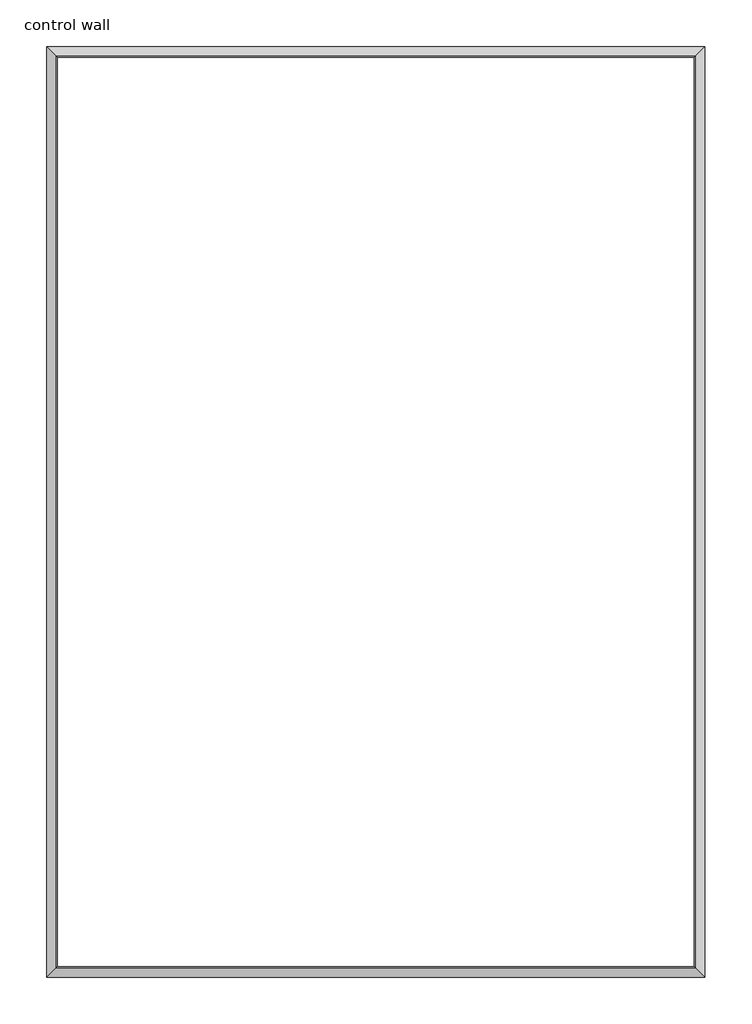
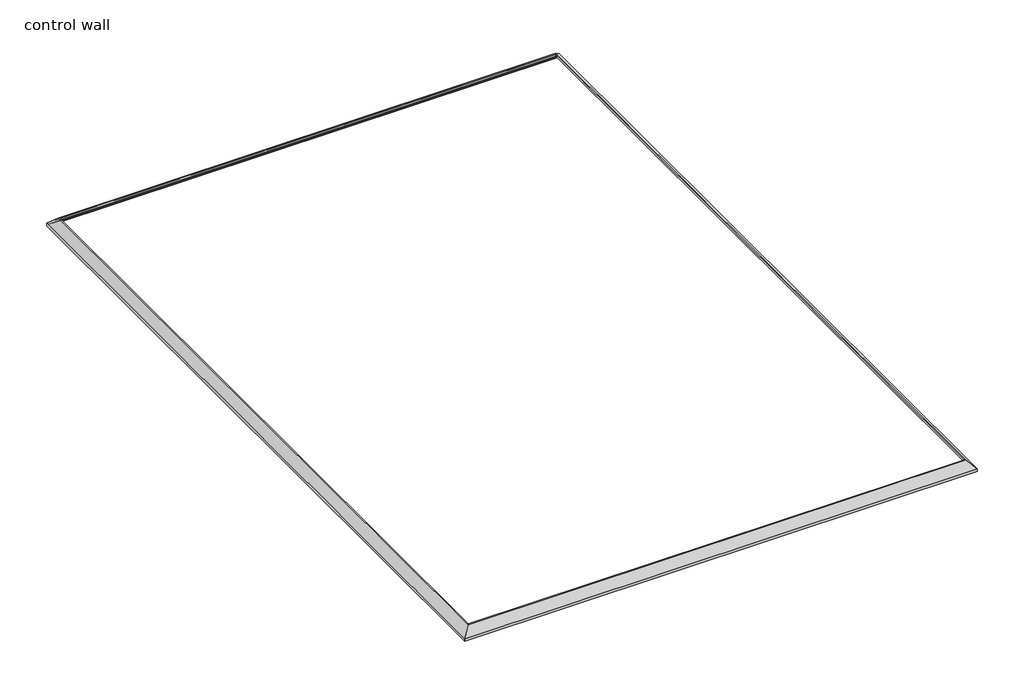
# One storey: 4 proxies.
"""IFC4 building model written with IfcOpenShell, lengths in millimetres."""

import ifcopenshell
import ifcopenshell.guid

model = None  # the IFC model being written
_history = None  # IfcOwnerHistory: only IFC2X3 demands one
_inside = {}  # id of a spatial element -> (the spatial element, [elements in it])
_under = {}  # id of a project, library or spatial element -> (it, [spatial elements below it])
_declared = {}  # id of a project -> (the project, [libraries it declares])
_typed = {}  # id of a type object -> (the type object, [elements of that type])
_made_of = {}  # id of a material, layer set ... -> (it, [elements and type objects made of it])


def new_model(schema):
    """Start an empty IFC model of exactly this schema.

    Asked for "IFC4X3", IfcOpenShell would pick the latest addendum, in which some entities
    have other attributes; the version numbers below select the first issue.
    IFC2X3 requires an IfcOwnerHistory on every rooted entity: one is made here for all.
    """
    global model, _history
    if schema == "IFC4X3":
        model = ifcopenshell.file(schema_version=(4, 3, 0, 0))
    else:
        model = ifcopenshell.file(schema=schema)
    _inside.clear()
    _under.clear()
    _declared.clear()
    _typed.clear()
    _made_of.clear()
    _history = None
    if model.schema == "IFC2X3":
        org = make("IfcOrganization", Name="unknown")
        user = make(
            "IfcPersonAndOrganization",
            ThePerson=make("IfcPerson", FamilyName="unknown"),
            TheOrganization=org,
        )
        app = make(
            "IfcApplication",
            ApplicationDeveloper=org,
            Version="unknown",
            ApplicationFullName="unknown",
            ApplicationIdentifier="unknown",
        )
        _history = make(
            "IfcOwnerHistory",
            OwningUser=user,
            OwningApplication=app,
            ChangeAction="ADDED",
            CreationDate=0,
        )
    return model


def make(cls, **values):
    """One entity of the class cls with the attributes given. An attribute that is None is left unset."""
    return model.create_entity(
        cls, **{name: value for name, value in values.items() if value is not None}
    )


def rooted(cls, **values):
    """An entity with a GlobalId (a new one), such as an element, a storey or a relation."""
    return make(cls, GlobalId=ifcopenshell.guid.new(), OwnerHistory=_history, **values)


def si_unit(unit_type, name, prefix=None):
    """IfcSIUnit, for example si_unit("LENGTHUNIT", "METRE", prefix="MILLI")."""
    return make("IfcSIUnit", UnitType=unit_type, Prefix=prefix, Name=name)


def assignment(units):
    """IfcUnitAssignment: the units of a project."""
    return None if units is None else make("IfcUnitAssignment", Units=units)


def point(xyz):
    """IfcCartesianPoint."""
    return None if xyz is None else make("IfcCartesianPoint", Coordinates=xyz)


def direction(xyz):
    """IfcDirection."""
    return None if xyz is None else make("IfcDirection", DirectionRatios=xyz)


def frame(location, z_axis=None, x_axis=None):
    """IfcAxis2Placement3D, a coordinate frame: its origin and axes. An axis left out is left unset."""
    return make(
        "IfcAxis2Placement3D",
        Location=point(location),
        Axis=direction(z_axis),
        RefDirection=direction(x_axis),
    )


def origin():
    """The frame at (0, 0, 0) with its axes left unset."""
    return frame((0.0, 0.0, 0.0))


def place(relative_to, where):
    """IfcLocalPlacement: puts the frame where relative to a parent placement (None: the world)."""
    return make(
        "IfcLocalPlacement", PlacementRelTo=relative_to, RelativePlacement=where
    )


def context(
    kind, dimensions, precision=None, world=None, true_north=None, identifier=None
):
    """IfcGeometricRepresentationContext, for example the 3D "Model" context."""
    return make(
        "IfcGeometricRepresentationContext",
        ContextIdentifier=identifier,
        ContextType=kind,
        CoordinateSpaceDimension=dimensions,
        Precision=precision,
        WorldCoordinateSystem=world,
        TrueNorth=true_north,
    )


def project(units=None, contexts=None):
    """IfcProject with its units and contexts."""
    return rooted(
        "IfcProject",
        Name="project",
        RepresentationContexts=contexts,
        UnitsInContext=assignment(units),
    )


def spatial(cls, under=None, at=None, **own):
    """A site, building, storey or space (cls), placed at a placement, below another one or the project."""
    s = rooted(cls, ObjectPlacement=at, **own)
    if under is not None:
        _under.setdefault(under.id(), (under, []))[1].append(s)
    return s


def polyline(points):
    """IfcPolyline through the points."""
    return make("IfcPolyline", Points=[point(p) for p in points])


def ellipse_curve(where, semi_axis1, semi_axis2):
    """IfcEllipse in the frame where."""
    return make(
        "IfcEllipse", Position=where, SemiAxis1=semi_axis1, SemiAxis2=semi_axis2
    )


def shape(context_of_items, identifier, shape_type, items):
    """IfcShapeRepresentation: the items that make up one representation, for example the "Body"."""
    return make(
        "IfcShapeRepresentation",
        ContextOfItems=context_of_items,
        RepresentationIdentifier=identifier,
        RepresentationType=shape_type,
        Items=items,
    )


def made_of(thing, what):
    """Note that an element or type object is made of a material, layer set ...; save() writes the relation."""
    if what is not None:
        _made_of.setdefault(what.id(), (what, []))[1].append(thing)
    return thing


def element(
    cls,
    number,
    at=None,
    inside=None,
    cuts=None,
    type_object=None,
    material=None,
    context=None,
    identifier="Body",
    shape_type=None,
    held_by="IfcProductDefinitionShape",
    body=None,
    shapes=None,
    **own,
):
    """One element of the class cls, such as IfcWall. Its Tag is "e" and its number.

    at: its placement. inside: the storey or other place that contains it. cuts: it is an
    opening in that element (IfcRelVoidsElement). A single representation is given by context,
    identifier, shape_type and body (its items); several are given by shapes. held_by: the class
    of the entity that holds the representations. save() writes the other relations.
    """
    e = rooted(cls, Tag="e%d" % number, ObjectPlacement=at, **own)
    if body is not None:
        shapes = [shape(context, identifier, shape_type, body)]
    if shapes is not None:
        e.Representation = make(held_by, Representations=shapes)
    if inside is not None:
        _inside.setdefault(inside.id(), (inside, []))[1].append(e)
    if cuts is not None:
        rooted(
            "IfcRelVoidsElement", RelatingBuildingElement=cuts, RelatedOpeningElement=e
        )
    if type_object is not None:
        _typed.setdefault(type_object.id(), (type_object, []))[1].append(e)
    return made_of(e, material)


def aggregate(whole, parts):
    """IfcRelAggregates: a whole, such as a stair, and the parts it consists of."""
    return rooted("IfcRelAggregates", RelatingObject=whole, RelatedObjects=parts)


def save(model, path):
    """Write the relations noted so far, then the file.

    IfcRelAggregates (storeys below a building ...), IfcRelContainedInSpatialStructure (elements
    in a storey), IfcRelDefinesByType, IfcRelAssociatesMaterial and IfcRelDeclares: one each for
    every whole, place, type object, material and project.
    """
    for whole, parts in _under.values():
        aggregate(whole, parts)
    for where, things in _inside.values():
        rooted(
            "IfcRelContainedInSpatialStructure",
            RelatedElements=things,
            RelatingStructure=where,
        )
    for kind, things in _typed.values():
        rooted("IfcRelDefinesByType", RelatedObjects=things, RelatingType=kind)
    for what, things in _made_of.values():
        rooted("IfcRelAssociatesMaterial", RelatedObjects=things, RelatingMaterial=what)
    for by, libraries in _declared.values():
        rooted("IfcRelDeclares", RelatingContext=by, RelatedDefinitions=libraries)
    model.write(path)


def plane_surface(at):
    """IfcPlane: the flat surface through the origin of the frame at, square to its z axis."""
    return make("IfcPlane", Position=at)


def cylinder_surface(at, radius):
    """IfcCylindricalSurface: all points at the distance radius from the z axis of the frame at."""
    return make("IfcCylindricalSurface", Position=at, Radius=radius)


def revolved_surface(curve, axis_point, axis_direction):
    """IfcSurfaceOfRevolution: the curve turned about the line through axis_point along axis_direction."""
    return make(
        "IfcSurfaceOfRevolution",
        SweptCurve=make("IfcArbitraryOpenProfileDef", ProfileType="CURVE", Curve=curve),
        AxisPosition=make("IfcAxis1Placement", Location=point(axis_point), Axis=direction(axis_direction)),
    )


def advanced_brep(points, edges, surfaces, faces):
    """IfcAdvancedBrep: a solid bounded by faces that lie on surfaces and meet in shared edges.

    An edge is (start, end): straight between two places in points (the first is 0);
    or (start, end, curve); or (start, end, curve, False) where it runs against its curve.
    A face is (place in surfaces, loops), or (place, loops, False) where it looks against
    its surface's normal. A loop lists edges by number (the first is 1), with a minus sign
    where the edge is run from its end to its start. The first loop is the outer one.
    """
    corners = [point(p) for p in points]
    vertices = [make("IfcVertexPoint", VertexGeometry=c) for c in corners]
    made = []
    for start, end, *more in edges:
        made.append(
            make(
                "IfcEdgeCurve",
                EdgeStart=vertices[start],
                EdgeEnd=vertices[end],
                EdgeGeometry=more[0] if more else make("IfcPolyline", Points=[corners[start], corners[end]]),
                SameSense=more[1] if len(more) > 1 else True,
            )
        )
    hull = []
    for where, loops, *sense in faces:
        bounds = []
        for j, loop in enumerate(loops):
            ring = [make("IfcOrientedEdge", EdgeElement=made[abs(k) - 1], Orientation=k > 0) for k in loop]
            bounds.append(
                make(
                    "IfcFaceOuterBound" if j == 0 else "IfcFaceBound",
                    Bound=make("IfcEdgeLoop", EdgeList=ring),
                    Orientation=True,
                )
            )
        hull.append(make("IfcAdvancedFace", Bounds=bounds, FaceSurface=surfaces[where], SameSense=sense[0] if sense else True))
    return make("IfcAdvancedBrep", Outer=make("IfcClosedShell", CfsFaces=hull))


model = new_model("IFC4")

# Units and contexts
model_context = context("Model", 3, world=origin())
ifc_project = project(units=[si_unit("LENGTHUNIT", "METRE", prefix="MILLI")], contexts=[model_context])

# Site, building, storey
site = spatial("IfcSite", under=ifc_project)
building = spatial("IfcBuilding", under=site)
storey = spatial("IfcBuildingStorey", under=building, Name="control wall", Elevation=2133.6)

# Proxies
placement = place(None, origin())
element("IfcBuildingElementProxy", 1, Name="Wall Sweeps", at=placement, inside=storey, context=model_context, shape_type="AdvancedBrep", body=[
    advanced_brep(
    [(23008.1328, -18859.5, 2982.9793892), (22943.1121892, -18794.4793892, 3048.0), (22935.0094912, -18786.3766912, 3048.0), (22935.0094912, -18786.3766912, 3028.95), (22944.6328, -18796.0, 3028.95), (22965.1574798, -18816.5246798, 3008.4253202), (22985.6821597, -18837.0493597, 2987.9006403), (22985.6821597, -18837.0493597, 2981.5506403), (22999.1525439, -18850.5197439, 2968.0802561), (22999.1525439, -18850.5197439, 2959.1), (23008.1328, -18859.5, 2959.1), (23008.1328, -12611.1, 2982.9793892), (23008.1328, -12611.1, 2959.1), (22999.1525439, -12620.0802561, 2959.1), (22999.1525439, -12620.0802561, 2968.0802561), (22985.6821597, -12633.5506403, 2981.5506403), (22985.6821597, -12633.5506403, 2987.9006403), (22965.1574798, -12654.0753202, 3008.4253202), (22944.6328, -12674.6, 3028.95), (22935.0094912, -12684.2233088, 3028.95), (22935.0094912, -12684.2233088, 3048.0), (22943.1121892, -12676.1206108, 3048.0)],
    [
        (0, 1),
        (1, 2),
        (2, 3),
        (3, 4),
        (4, 5, ellipse_curve(frame((22944.6328, -18796.0, 3008.4253202), z_axis=(0.707106781186544, 0.7071067811865511, 0.0), x_axis=(-0.7071067811865512, 0.7071067811865438, 0.0)), 29.0262806, 20.5246798)),
        (5, 6, ellipse_curve(frame((22985.6821597, -18837.0493597, 3008.4253202), z_axis=(-0.707106781186544, -0.7071067811865511, 0.0), x_axis=(0.7071067811865512, -0.7071067811865438, 0.0)), 29.0262806, 20.5246798)),
        (6, 7),
        (7, 8, ellipse_curve(frame((22985.6821597, -18837.0493597, 2968.0802561), z_axis=(0.707106781186544, 0.7071067811865511, 0.0), x_axis=(-0.7071067811865512, 0.7071067811865438, 0.0)), 19.05, 13.4703842)),
        (8, 9),
        (9, 10),
        (10, 0),
        (11, 12),
        (12, 13),
        (13, 14),
        (14, 15, ellipse_curve(frame((22985.6821597, -12633.5506403, 2968.0802561), z_axis=(0.707106781186544, -0.7071067811865511, 0.0), x_axis=(0.707106781186551, 0.7071067811865438, 0.0)), 19.05, 13.4703842)),
        (15, 16),
        (16, 17, ellipse_curve(frame((22985.6821597, -12633.5506403, 3008.4253202), z_axis=(-0.707106781186544, 0.7071067811865511, 0.0), x_axis=(-0.707106781186551, -0.7071067811865438, 0.0)), 29.0262806, 20.5246798)),
        (17, 18, ellipse_curve(frame((22944.6328, -12674.6, 3008.4253202), z_axis=(0.707106781186544, -0.7071067811865511, 0.0), x_axis=(0.707106781186551, 0.7071067811865438, 0.0)), 29.0262806, 20.5246798)),
        (18, 19),
        (19, 20),
        (20, 21),
        (21, 11),
        (1, 21),
        (20, 2),
        (10, 12),
        (11, 0),
        (19, 3),
        (18, 4),
        (17, 5),
        (16, 6),
        (15, 7),
        (14, 8),
        (13, 9),
    ],
    [
        plane_surface(frame((23008.1328, -18859.5, 2654.3), z_axis=(-0.707106781186544, -0.7071067811865511, 0.0), x_axis=(-0.7071067811865511, 0.707106781186544, 0.0))),
        plane_surface(frame((23008.1328, -12611.1, 2654.3), z_axis=(-0.707106781186544, 0.7071067811865511, 0.0), x_axis=(-0.7071067811865511, -0.707106781186544, 0.0))),
        plane_surface(frame((22943.1121892, -18794.4793892, 3048.0), z_axis=(0.0, 0.0, 1.0), x_axis=(0.0, 1.0, 0.0))),
        plane_surface(frame((23008.1328, -18859.5, 2959.1), z_axis=(1.0, 0.0, 0.0), x_axis=(0.0, 1.0, 0.0))),
        plane_surface(frame((23008.1328, -18859.5, 2982.9793892), z_axis=(0.707106781186547, 0.0, 0.707106781186548), x_axis=(0.0, 1.0, 0.0))),
        plane_surface(frame((22935.0094912, -18786.3766912, 3048.0), z_axis=(-1.0, 0.0, 0.0), x_axis=(0.0, 1.0, 0.0))),
        plane_surface(frame((22935.0094912, -18786.3766912, 3028.95), z_axis=(0.0, 0.0, -1.0), x_axis=(0.0, 1.0, 0.0))),
        revolved_surface(polyline([(22924.1081202, -12654.075320155116, 3008.4253202), (22924.1081202, -18816.524679844882, 3008.4253202)]), (22944.6328, -18859.5, 3008.4253202), (0.0, 1.0, 0.0)),
        cylinder_surface(frame((22985.6821597, -18859.5, 3008.4253202), z_axis=(0.0, -1.0, 0.0), x_axis=(-1.0, 0.0, 0.0)), 20.5246798),
        plane_surface(frame((22985.6821597, -18837.0493597, 2987.9006403), z_axis=(-1.0, 0.0, 0.0), x_axis=(0.0, 1.0, 0.0))),
        revolved_surface(polyline([(22972.2117755, -12620.0802561, 2968.0802561), (22972.2117755, -18850.5197439, 2968.0802561)]), (22985.6821597, -18859.5, 2968.0802561), (0.0, 1.0, 0.0)),
        plane_surface(frame((22999.1525439, -18850.5197439, 2968.0802561), z_axis=(-1.0, 0.0, 0.0), x_axis=(0.0, 1.0, 0.0))),
        plane_surface(frame((22999.1525439, -18850.5197439, 2959.1), z_axis=(0.0, 0.0, -1.0), x_axis=(0.0, 1.0, 0.0))),
    ],
    [
        (0, [[1, 2, 3, 4, 5, 6, 7, 8, 9, 10, 11]]),
        (1, [[12, 13, 14, 15, 16, 17, 18, 19, 20, 21, 22]]),
        (2, [[-2, 23, -21, 24]]),
        (3, [[-11, 25, -12, 26]]),
        (4, [[-1, -26, -22, -23]]),
        (5, [[-3, -24, -20, 27]]),
        (6, [[-4, -27, -19, 28]]),
        (7, [[-5, -28, -18, 29]]),
        (8, [[-6, -29, -17, 30]]),
        (9, [[-7, -30, -16, 31]]),
        (10, [[-8, -31, -15, 32]]),
        (11, [[-9, -32, -14, 33]]),
        (12, [[-10, -33, -13, -25]]),
    ],
),
])
element("IfcBuildingElementProxy", 2, Name="Wall Sweeps", at=placement, inside=storey, context=model_context, shape_type="AdvancedBrep", body=[
    advanced_brep(
    [(23008.1328, -12611.1, 2982.9793892), (22943.1121892, -12676.1206108, 3048.0), (22935.0094912, -12684.2233088, 3048.0), (22935.0094912, -12684.2233088, 3028.95), (22944.6328, -12674.6, 3028.95), (22965.1574798, -12654.0753202, 3008.4253202), (22985.6821597, -12633.5506403, 2987.9006403), (22985.6821597, -12633.5506403, 2981.5506403), (22999.1525439, -12620.0802561, 2968.0802561), (22999.1525439, -12620.0802561, 2959.1), (23008.1328, -12611.1, 2959.1), (18588.5328, -12611.1, 2982.9793892), (18588.5328, -12611.1, 2959.1), (18597.5130561, -12620.0802561, 2959.1), (18597.5130561, -12620.0802561, 2968.0802561), (18610.9834403, -12633.5506403, 2981.5506403), (18610.9834403, -12633.5506403, 2987.9006403), (18631.5081202, -12654.0753202, 3008.4253202), (18652.0328, -12674.6, 3028.95), (18661.6561088, -12684.2233088, 3028.95), (18661.6561088, -12684.2233088, 3048.0), (18653.5534108, -12676.1206108, 3048.0)],
    [
        (0, 1),
        (1, 2),
        (2, 3),
        (3, 4),
        (4, 5, ellipse_curve(frame((22944.6328, -12674.6, 3008.4253202), z_axis=(-0.707106781186544, 0.7071067811865511, 0.0), x_axis=(-0.707106781186551, -0.7071067811865441, 0.0)), 29.0262806, 20.5246798)),
        (5, 6, ellipse_curve(frame((22985.6821597, -12633.5506403, 3008.4253202), z_axis=(0.707106781186544, -0.7071067811865511, 0.0), x_axis=(0.707106781186551, 0.7071067811865441, 0.0)), 29.0262806, 20.5246798)),
        (6, 7),
        (7, 8, ellipse_curve(frame((22985.6821597, -12633.5506403, 2968.0802561), z_axis=(-0.707106781186544, 0.7071067811865511, 0.0), x_axis=(-0.707106781186551, -0.7071067811865441, 0.0)), 19.05, 13.4703842)),
        (8, 9),
        (9, 10),
        (10, 0),
        (11, 12),
        (12, 13),
        (13, 14),
        (14, 15, ellipse_curve(frame((18610.9834403, -12633.5506403, 2968.0802561), z_axis=(0.7071067811865476, 0.7071067811865476, 0.0), x_axis=(-0.7071067811865475, 0.7071067811865477, 0.0)), 19.05, 13.4703842)),
        (15, 16),
        (16, 17, ellipse_curve(frame((18610.9834403, -12633.5506403, 3008.4253202), z_axis=(-0.7071067811865476, -0.7071067811865476, 0.0), x_axis=(0.7071067811865475, -0.7071067811865477, 0.0)), 29.0262806, 20.5246798)),
        (17, 18, ellipse_curve(frame((18652.0328, -12674.6, 3008.4253202), z_axis=(0.7071067811865476, 0.7071067811865476, 0.0), x_axis=(-0.7071067811865475, 0.7071067811865477, 0.0)), 29.0262806, 20.5246798)),
        (18, 19),
        (19, 20),
        (20, 21),
        (21, 11),
        (1, 21),
        (20, 2),
        (10, 12),
        (11, 0),
        (19, 3),
        (18, 4),
        (17, 5),
        (16, 6),
        (15, 7),
        (14, 8),
        (13, 9),
    ],
    [
        plane_surface(frame((23008.1328, -12611.1, 2654.3), z_axis=(0.707106781186544, -0.7071067811865511, 0.0), x_axis=(-0.7071067811865511, -0.707106781186544, 0.0))),
        plane_surface(frame((18588.5328, -12611.1, 2654.3), z_axis=(-0.7071067811865476, -0.7071067811865476, 0.0), x_axis=(0.7071067811865476, -0.7071067811865476, 0.0))),
        plane_surface(frame((22943.1121892, -12676.1206108, 3048.0), z_axis=(0.0, 0.0, 1.0), x_axis=(-1.0, 0.0, 0.0))),
        plane_surface(frame((23008.1328, -12611.1, 2959.1), z_axis=(0.0, 1.0, 0.0), x_axis=(-1.0, 0.0, 0.0))),
        plane_surface(frame((23008.1328, -12611.1, 2982.9793892), z_axis=(0.0, 0.707106781186547, 0.707106781186548), x_axis=(-1.0, 0.0, 0.0))),
        plane_surface(frame((22935.0094912, -12684.2233088, 3048.0), z_axis=(0.0, -1.0, 0.0), x_axis=(-1.0, 0.0, 0.0))),
        plane_surface(frame((22935.0094912, -12684.2233088, 3028.95), z_axis=(0.0, 0.0, -1.0), x_axis=(-1.0, 0.0, 0.0))),
        revolved_surface(polyline([(18631.50812015512, -12695.124679800001, 3008.4253202), (22965.157479844882, -12695.124679800001, 3008.4253202)]), (23008.1328, -12674.6, 3008.4253202), (-1.0, 0.0, 0.0)),
        cylinder_surface(frame((23008.1328, -12633.5506403, 3008.4253202), z_axis=(1.0, 0.0, 0.0), x_axis=(0.0, -1.0, 0.0)), 20.5246798),
        plane_surface(frame((22985.6821597, -12633.5506403, 2987.9006403), z_axis=(0.0, -1.0, 0.0), x_axis=(-1.0, 0.0, 0.0))),
        revolved_surface(polyline([(18597.5130561, -12647.0210245, 2968.0802561), (22999.1525439, -12647.0210245, 2968.0802561)]), (23008.1328, -12633.5506403, 2968.0802561), (-1.0, 0.0, 0.0)),
        plane_surface(frame((22999.1525439, -12620.0802561, 2968.0802561), z_axis=(0.0, -1.0, 0.0), x_axis=(-1.0, 0.0, 0.0))),
        plane_surface(frame((22999.1525439, -12620.0802561, 2959.1), z_axis=(0.0, 0.0, -1.0), x_axis=(-1.0, 0.0, 0.0))),
    ],
    [
        (0, [[1, 2, 3, 4, 5, 6, 7, 8, 9, 10, 11]]),
        (1, [[12, 13, 14, 15, 16, 17, 18, 19, 20, 21, 22]]),
        (2, [[-2, 23, -21, 24]]),
        (3, [[-11, 25, -12, 26]]),
        (4, [[-1, -26, -22, -23]]),
        (5, [[-3, -24, -20, 27]]),
        (6, [[-4, -27, -19, 28]]),
        (7, [[-5, -28, -18, 29]]),
        (8, [[-6, -29, -17, 30]]),
        (9, [[-7, -30, -16, 31]]),
        (10, [[-8, -31, -15, 32]]),
        (11, [[-9, -32, -14, 33]]),
        (12, [[-10, -33, -13, -25]]),
    ],
),
])
element("IfcBuildingElementProxy", 3, Name="Wall Sweeps", at=placement, inside=storey, context=model_context, shape_type="AdvancedBrep", body=[
    advanced_brep(
    [(18588.5328, -12611.1, 2982.9793892), (18653.5534108, -12676.1206108, 3048.0), (18661.6561088, -12684.2233088, 3048.0), (18661.6561088, -12684.2233088, 3028.95), (18652.0328, -12674.6, 3028.95), (18631.5081202, -12654.0753202, 3008.4253202), (18610.9834403, -12633.5506403, 2987.9006403), (18610.9834403, -12633.5506403, 2981.5506403), (18597.5130561, -12620.0802561, 2968.0802561), (18597.5130561, -12620.0802561, 2959.1), (18588.5328, -12611.1, 2959.1), (18588.5328, -18859.5, 2982.9793892), (18588.5328, -18859.5, 2959.1), (18597.5130561, -18850.5197439, 2959.1), (18597.5130561, -18850.5197439, 2968.0802561), (18610.9834403, -18837.0493597, 2981.5506403), (18610.9834403, -18837.0493597, 2987.9006403), (18631.5081202, -18816.5246798, 3008.4253202), (18652.0328, -18796.0, 3028.95), (18661.6561088, -18786.3766912, 3028.95), (18661.6561088, -18786.3766912, 3048.0), (18653.5534108, -18794.4793892, 3048.0)],
    [
        (0, 1),
        (1, 2),
        (2, 3),
        (3, 4),
        (4, 5, ellipse_curve(frame((18652.0328, -12674.6, 3008.4253202), z_axis=(-0.7071067811865476, -0.7071067811865476, 0.0), x_axis=(0.7071067811865476, -0.7071067811865474, 0.0)), 29.0262806, 20.5246798)),
        (5, 6, ellipse_curve(frame((18610.9834403, -12633.5506403, 3008.4253202), z_axis=(0.7071067811865476, 0.7071067811865476, 0.0), x_axis=(-0.7071067811865476, 0.7071067811865474, 0.0)), 29.0262806, 20.5246798)),
        (6, 7),
        (7, 8, ellipse_curve(frame((18610.9834403, -12633.5506403, 2968.0802561), z_axis=(-0.7071067811865476, -0.7071067811865476, 0.0), x_axis=(0.7071067811865476, -0.7071067811865474, 0.0)), 19.05, 13.4703842)),
        (8, 9),
        (9, 10),
        (10, 0),
        (11, 12),
        (12, 13),
        (13, 14),
        (14, 15, ellipse_curve(frame((18610.9834403, -18837.0493597, 2968.0802561), z_axis=(-0.7071067811865476, 0.7071067811865476, 0.0), x_axis=(-0.7071067811865476, -0.7071067811865474, 0.0)), 19.05, 13.4703842)),
        (15, 16),
        (16, 17, ellipse_curve(frame((18610.9834403, -18837.0493597, 3008.4253202), z_axis=(0.7071067811865476, -0.7071067811865476, 0.0), x_axis=(0.7071067811865476, 0.7071067811865474, 0.0)), 29.0262806, 20.5246798)),
        (17, 18, ellipse_curve(frame((18652.0328, -18796.0, 3008.4253202), z_axis=(-0.7071067811865476, 0.7071067811865476, 0.0), x_axis=(-0.7071067811865476, -0.7071067811865474, 0.0)), 29.0262806, 20.5246798)),
        (18, 19),
        (19, 20),
        (20, 21),
        (21, 11),
        (1, 21),
        (20, 2),
        (10, 12),
        (11, 0),
        (19, 3),
        (18, 4),
        (17, 5),
        (16, 6),
        (15, 7),
        (14, 8),
        (13, 9),
    ],
    [
        plane_surface(frame((18588.5328, -12611.1, 2654.3), z_axis=(0.7071067811865476, 0.7071067811865476, 0.0), x_axis=(0.7071067811865476, -0.7071067811865476, 0.0))),
        plane_surface(frame((18588.5328, -18859.5, 2654.3), z_axis=(0.7071067811865476, -0.7071067811865476, 0.0), x_axis=(0.7071067811865476, 0.7071067811865476, 0.0))),
        plane_surface(frame((18653.5534108, -12676.1206108, 3048.0), z_axis=(0.0, 0.0, 1.0), x_axis=(0.0, -1.0, 0.0))),
        plane_surface(frame((18588.5328, -12611.1, 2959.1), z_axis=(-1.0, 0.0, 0.0), x_axis=(0.0, -1.0, 0.0))),
        plane_surface(frame((18588.5328, -12611.1, 2982.9793892), z_axis=(-0.707106781186547, 0.0, 0.707106781186548), x_axis=(0.0, -1.0, 0.0))),
        plane_surface(frame((18661.6561088, -12684.2233088, 3048.0), z_axis=(1.0, 0.0, 0.0), x_axis=(0.0, -1.0, 0.0))),
        plane_surface(frame((18661.6561088, -12684.2233088, 3028.95), z_axis=(0.0, 0.0, -1.0), x_axis=(0.0, -1.0, 0.0))),
        revolved_surface(polyline([(18672.5574798, -18816.524679844882, 3008.4253202), (18672.5574798, -12654.075320155116, 3008.4253202)]), (18652.0328, -12611.1, 3008.4253202), (0.0, -1.0, 0.0)),
        cylinder_surface(frame((18610.9834403, -12611.1, 3008.4253202), z_axis=(0.0, 1.0, 0.0), x_axis=(1.0, 0.0, 0.0)), 20.5246798),
        plane_surface(frame((18610.9834403, -12633.5506403, 2987.9006403), z_axis=(1.0, 0.0, 0.0), x_axis=(0.0, -1.0, 0.0))),
        revolved_surface(polyline([(18624.4538245, -18850.5197439, 2968.0802561), (18624.4538245, -12620.0802561, 2968.0802561)]), (18610.9834403, -12611.1, 2968.0802561), (0.0, -1.0, 0.0)),
        plane_surface(frame((18597.5130561, -12620.0802561, 2968.0802561), z_axis=(1.0, 0.0, 0.0), x_axis=(0.0, -1.0, 0.0))),
        plane_surface(frame((18597.5130561, -12620.0802561, 2959.1), z_axis=(0.0, 0.0, -1.0), x_axis=(0.0, -1.0, 0.0))),
    ],
    [
        (0, [[1, 2, 3, 4, 5, 6, 7, 8, 9, 10, 11]]),
        (1, [[12, 13, 14, 15, 16, 17, 18, 19, 20, 21, 22]]),
        (2, [[-2, 23, -21, 24]]),
        (3, [[-11, 25, -12, 26]]),
        (4, [[-1, -26, -22, -23]]),
        (5, [[-3, -24, -20, 27]]),
        (6, [[-4, -27, -19, 28]]),
        (7, [[-5, -28, -18, 29]]),
        (8, [[-6, -29, -17, 30]]),
        (9, [[-7, -30, -16, 31]]),
        (10, [[-8, -31, -15, 32]]),
        (11, [[-9, -32, -14, 33]]),
        (12, [[-10, -33, -13, -25]]),
    ],
),
])
element("IfcBuildingElementProxy", 4, Name="Wall Sweeps", at=placement, inside=storey, context=model_context, shape_type="AdvancedBrep", body=[
    advanced_brep(
    [(18588.5328, -18859.5, 2982.9793892), (18653.5534108, -18794.4793892, 3048.0), (18661.6561088, -18786.3766912, 3048.0), (18661.6561088, -18786.3766912, 3028.95), (18652.0328, -18796.0, 3028.95), (18631.5081202, -18816.5246798, 3008.4253202), (18610.9834403, -18837.0493597, 2987.9006403), (18610.9834403, -18837.0493597, 2981.5506403), (18597.5130561, -18850.5197439, 2968.0802561), (18597.5130561, -18850.5197439, 2959.1), (18588.5328, -18859.5, 2959.1), (23008.1328, -18859.5, 2982.9793892), (23008.1328, -18859.5, 2959.1), (22999.1525439, -18850.5197439, 2959.1), (22999.1525439, -18850.5197439, 2968.0802561), (22985.6821597, -18837.0493597, 2981.5506403), (22985.6821597, -18837.0493597, 2987.9006403), (22965.1574798, -18816.5246798, 3008.4253202), (22944.6328, -18796.0, 3028.95), (22935.0094912, -18786.3766912, 3028.95), (22935.0094912, -18786.3766912, 3048.0), (22943.1121892, -18794.4793892, 3048.0)],
    [
        (0, 1),
        (1, 2),
        (2, 3),
        (3, 4),
        (4, 5, ellipse_curve(frame((18652.0328, -18796.0, 3008.4253202), z_axis=(0.7071067811865476, -0.7071067811865476, 0.0), x_axis=(0.7071067811865474, 0.7071067811865476, 0.0)), 29.0262806, 20.5246798)),
        (5, 6, ellipse_curve(frame((18610.9834403, -18837.0493597, 3008.4253202), z_axis=(-0.7071067811865476, 0.7071067811865476, 0.0), x_axis=(-0.7071067811865474, -0.7071067811865476, 0.0)), 29.0262806, 20.5246798)),
        (6, 7),
        (7, 8, ellipse_curve(frame((18610.9834403, -18837.0493597, 2968.0802561), z_axis=(0.7071067811865476, -0.7071067811865476, 0.0), x_axis=(0.7071067811865474, 0.7071067811865476, 0.0)), 19.05, 13.4703842)),
        (8, 9),
        (9, 10),
        (10, 0),
        (11, 12),
        (12, 13),
        (13, 14),
        (14, 15, ellipse_curve(frame((22985.6821597, -18837.0493597, 2968.0802561), z_axis=(-0.707106781186544, -0.7071067811865511, 0.0), x_axis=(0.7071067811865509, -0.7071067811865441, 0.0)), 19.05, 13.4703842)),
        (15, 16),
        (16, 17, ellipse_curve(frame((22985.6821597, -18837.0493597, 3008.4253202), z_axis=(0.707106781186544, 0.7071067811865511, 0.0), x_axis=(-0.7071067811865509, 0.7071067811865441, 0.0)), 29.0262806, 20.5246798)),
        (17, 18, ellipse_curve(frame((22944.6328, -18796.0, 3008.4253202), z_axis=(-0.707106781186544, -0.7071067811865511, 0.0), x_axis=(0.7071067811865509, -0.7071067811865441, 0.0)), 29.0262806, 20.5246798)),
        (18, 19),
        (19, 20),
        (20, 21),
        (21, 11),
        (1, 21),
        (20, 2),
        (10, 12),
        (11, 0),
        (19, 3),
        (18, 4),
        (17, 5),
        (16, 6),
        (15, 7),
        (14, 8),
        (13, 9),
    ],
    [
        plane_surface(frame((18588.5328, -18859.5, 2654.3), z_axis=(-0.7071067811865476, 0.7071067811865476, 0.0), x_axis=(0.7071067811865476, 0.7071067811865476, 0.0))),
        plane_surface(frame((23008.1328, -18859.5, 2654.3), z_axis=(0.707106781186544, 0.7071067811865511, 0.0), x_axis=(-0.7071067811865511, 0.707106781186544, 0.0))),
        plane_surface(frame((18653.5534108, -18794.4793892, 3048.0), z_axis=(0.0, 0.0, 1.0), x_axis=(1.0, 0.0, 0.0))),
        plane_surface(frame((18588.5328, -18859.5, 2959.1), z_axis=(0.0, -1.0, 0.0), x_axis=(1.0, 0.0, 0.0))),
        plane_surface(frame((18588.5328, -18859.5, 2982.9793892), z_axis=(0.0, -0.707106781186547, 0.707106781186548), x_axis=(1.0, 0.0, 0.0))),
        plane_surface(frame((18661.6561088, -18786.3766912, 3048.0), z_axis=(0.0, 1.0, 0.0), x_axis=(1.0, 0.0, 0.0))),
        plane_surface(frame((18661.6561088, -18786.3766912, 3028.95), z_axis=(0.0, 0.0, -1.0), x_axis=(1.0, 0.0, 0.0))),
        revolved_surface(polyline([(22965.157479844882, -18775.4753202, 3008.4253202), (18631.50812015512, -18775.4753202, 3008.4253202)]), (18588.5328, -18796.0, 3008.4253202), (1.0, 0.0, 0.0)),
        cylinder_surface(frame((18588.5328, -18837.0493597, 3008.4253202), z_axis=(-1.0, 0.0, 0.0), x_axis=(0.0, 1.0, 0.0)), 20.5246798),
        plane_surface(frame((18610.9834403, -18837.0493597, 2987.9006403), z_axis=(0.0, 1.0, 0.0), x_axis=(1.0, 0.0, 0.0))),
        revolved_surface(polyline([(22999.1525439, -18823.578975499997, 2968.0802561), (18597.5130561, -18823.578975499997, 2968.0802561)]), (18588.5328, -18837.0493597, 2968.0802561), (1.0, 0.0, 0.0)),
        plane_surface(frame((18597.5130561, -18850.5197439, 2968.0802561), z_axis=(0.0, 1.0, 0.0), x_axis=(1.0, 0.0, 0.0))),
        plane_surface(frame((18597.5130561, -18850.5197439, 2959.1), z_axis=(0.0, 0.0, -1.0), x_axis=(1.0, 0.0, 0.0))),
    ],
    [
        (0, [[1, 2, 3, 4, 5, 6, 7, 8, 9, 10, 11]]),
        (1, [[12, 13, 14, 15, 16, 17, 18, 19, 20, 21, 22]]),
        (2, [[-2, 23, -21, 24]]),
        (3, [[-11, 25, -12, 26]]),
        (4, [[-1, -26, -22, -23]]),
        (5, [[-3, -24, -20, 27]]),
        (6, [[-4, -27, -19, 28]]),
        (7, [[-5, -28, -18, 29]]),
        (8, [[-6, -29, -17, 30]]),
        (9, [[-7, -30, -16, 31]]),
        (10, [[-8, -31, -15, 32]]),
        (11, [[-9, -32, -14, 33]]),
        (12, [[-10, -33, -13, -25]]),
    ],
),
])

save(model, "model.ifc")
